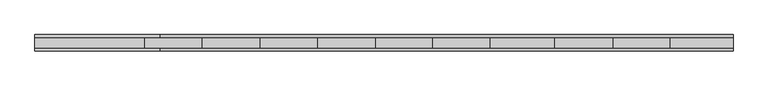
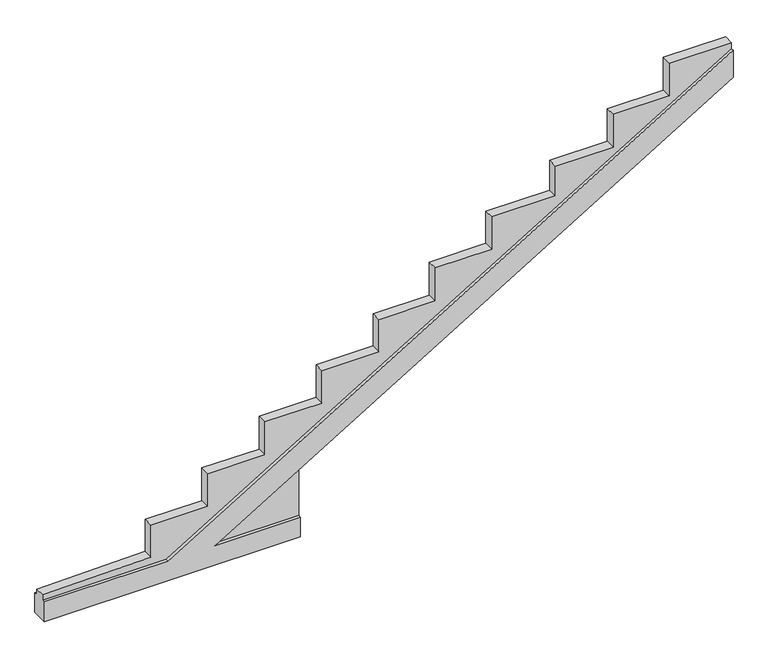
"""IFC4 building model written with IfcOpenShell, lengths in millimetres: beam geometry."""

from ifc_helpers import new_model, si_unit, origin, place, context, project, spatial, faceted_brep, source, transform, mapped, element, save


def beam_9bc1e2be(model_context):
    return source(origin(), model_context, "Body", "Brep", [
        faceted_brep([(116796.4450849, 96063.7064034, -296.2615215), (116796.4450849, 96063.7064034, -51.4737243), (115790.6925699, 96063.7064034, -51.4737243), (121860.4483334, 96063.7064034, 3618.1066772), (121860.4483334, 96063.7064034, 3950.5418954), (115240.8202791, 96063.7064034, -51.4737243), (113797.0750148, 96063.7064034, -51.4737243), (113797.0750148, 96063.7064034, -296.2615215), (116796.4450849, 96253.5565251, -296.2615215), (113797.0750148, 96253.5565251, -296.2615215), (113797.0750148, 96253.5565251, -51.4737243), (115240.8202791, 96253.5565251, -51.4737243), (121860.4483334, 96253.5565251, 3950.5418954), (121860.4483334, 96253.5565251, 3618.1066772), (115790.6925699, 96253.5565251, -51.4737243), (116796.4450849, 96253.5565251, -51.4737243), (113797.0750148, 96098.5281895, -51.4737243), (113797.0750148, 96098.5281895, 13.0440986), (113797.0750148, 96215.6628297, 13.0440986), (113797.0750148, 96215.6628297, -51.4737243), (115240.8202791, 96098.5281895, -51.4737243), (115240.8202791, 96215.6628297, -51.4737243), (121860.4483334, 96098.5281895, 3950.5418954), (121860.4483334, 96215.6628297, 3950.5418954), (121860.4483334, 96215.6628297, 4027.5116193), (121860.4483334, 96098.5281895, 4027.5116193), (115790.6925699, 96098.5281895, -51.4737243), (116796.4450849, 96098.5281895, 556.5721118), (116796.4450849, 96215.6628297, 556.5721118), (115790.6925699, 96215.6628297, -51.4737243), (116796.4450849, 96098.5281895, -51.4737243), (116796.4450849, 96215.6628297, -51.4737243), (121132.3915534, 96098.5281895, 4027.5116193), (121132.3915534, 96098.5281895, 3622.5728422), (120475.6208864, 96098.5281895, 3622.5728422), (120475.6208864, 96098.5281895, 3218.8243174), (119800.5261574, 96098.5281895, 3218.8243174), (119800.5261574, 96098.5281895, 2850.4165574), (119054.3604461, 96098.5281895, 2850.4185783), (119054.3604461, 96098.5281895, 2452.5626109), (118394.0957208, 96098.5281895, 2452.5646972), (118394.0957208, 96098.5281895, 2042.6803675), (117733.8309954, 96098.5281895, 2042.6824538), (117733.8309954, 96098.5281895, 1646.0916699), (117065.9680066, 96098.5281895, 1646.0937802), (117065.9680066, 96098.5281895, 1242.8562234), (116400.007624, 96098.5281895, 1242.8583277), (116400.007624, 96098.5281895, 837.40518), (115730.8802848, 96098.5281895, 837.4072942), (115730.8802848, 96098.5281895, 431.9541465), (115066.1842526, 96098.5281895, 431.9562468), (115066.1842526, 96098.5281895, 37.1882761), (115066.1842526, 96215.6628297, 37.1882761), (115066.1842526, 96215.6628297, 431.9562468), (115730.8802848, 96215.6628297, 431.9541465), (115730.8802848, 96215.6628297, 837.4072942), (116400.007624, 96215.6628297, 837.40518), (116400.007624, 96215.6628297, 1242.8583277), (117065.9680066, 96215.6628297, 1242.8562234), (117065.9680066, 96215.6628297, 1646.0937802), (117733.8309954, 96215.6628297, 1646.0916699), (117733.8309954, 96215.6628297, 2042.6824538), (118394.0957208, 96215.6628297, 2042.6803675), (118394.0957208, 96215.6628297, 2452.5646972), (119054.3604461, 96215.6628297, 2452.5626109), (119054.3604461, 96215.6628297, 2850.4185783), (119800.5261574, 96215.6628297, 2850.4165574), (119800.5261574, 96215.6628297, 3218.8243174), (120475.6208864, 96215.6628297, 3218.8243174), (120475.6208864, 96215.6628297, 3622.5728422), (121132.3915534, 96215.6628297, 3622.5728422), (121132.3915534, 96215.6628297, 4027.5116193)], [[[0, 1, 2, 3, 4, 5, 6, 7]], [[8, 9, 10, 11, 12, 13, 14, 15]], [[8, 0, 7, 9]], [[7, 6, 16, 17, 18, 19, 10, 9]], [[6, 5, 20, 16]], [[11, 10, 19, 21]], [[5, 4, 22, 20]], [[12, 11, 21, 23]], [[4, 3, 13, 12, 23, 24, 25, 22]], [[3, 2, 26, 27, 28, 29, 14, 13]], [[2, 1, 30, 26]], [[15, 14, 29, 31]], [[1, 0, 8, 15, 31, 28, 27, 30]], [[25, 32, 33, 34, 35, 36, 37, 38, 39, 40, 41, 42, 43, 44, 45, 46, 47, 48, 49, 50, 51, 17, 16, 20, 22]], [[30, 27, 26]], [[28, 31, 29]], [[18, 52, 53, 54, 55, 56, 57, 58, 59, 60, 61, 62, 63, 64, 65, 66, 67, 68, 69, 70, 71, 24, 23, 21, 19]], [[37, 36, 67, 66]], [[36, 35, 68, 67]], [[35, 34, 69, 68]], [[34, 33, 70, 69]], [[33, 32, 71, 70]], [[32, 25, 24, 71]], [[17, 51, 52, 18]], [[50, 49, 54, 53]], [[49, 48, 55, 54]], [[48, 47, 56, 55]], [[47, 46, 57, 56]], [[46, 45, 58, 57]], [[45, 44, 59, 58]], [[44, 43, 60, 59]], [[43, 42, 61, 60]], [[42, 41, 62, 61]], [[41, 40, 63, 62]], [[40, 39, 64, 63]], [[39, 38, 65, 64]], [[38, 37, 66, 65]], [[51, 50, 53, 52]]]),
    ])


if __name__ == "__main__":
    model = new_model("IFC4")
    model_context = context("Model", 3, world=origin())
    ifc_project = project(units=[si_unit("LENGTHUNIT", "METRE", prefix="MILLI")], contexts=[model_context])
    site = spatial("IfcSite", under=ifc_project)
    building = spatial("IfcBuilding", under=site)
    placement = place(None, origin())
    beam_shape = beam_9bc1e2be(model_context)
    element("IfcBeam", 1, at=placement, inside=building, context=model_context, shape_type="MappedRepresentation", body=[
        mapped(beam_shape, transform((0.0, 0.0, 0.0), x_axis=(1.0, 0.0, 0.0), y_axis=(0.0, 1.0, 0.0), z_axis=(0.0, 0.0, 1.0))),
    ])
    save(model, "model.ifc")
